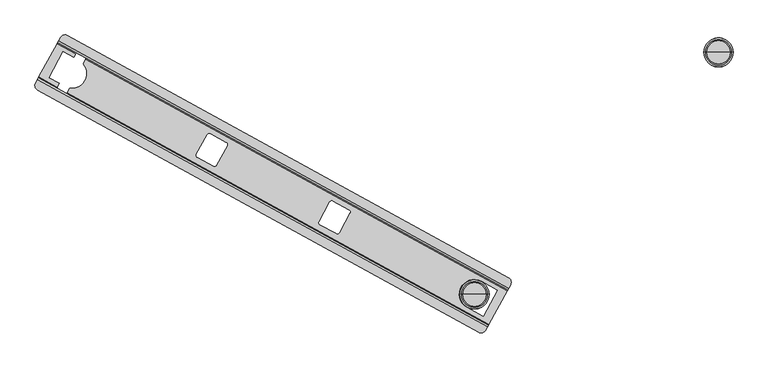
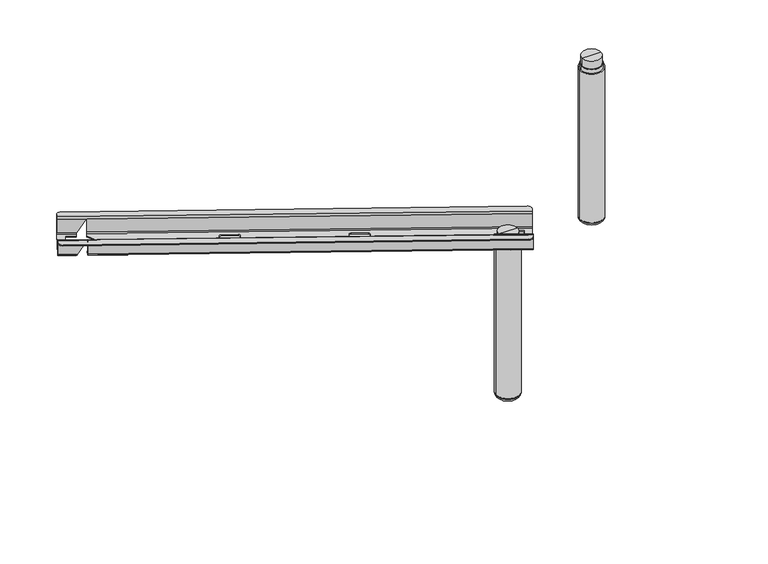
"""IFC4 building model written with IfcOpenShell, lengths in millimetres: furniture geometry."""

from ifc_helpers import new_model, si_unit, point, frame, origin, place, context, project, spatial, polyline, circle_curve, ellipse_curve, trimmed, source, transform, mapped, element, save
from ifc_brep_helpers import plane_surface, cylinder_surface, revolved_surface, advanced_brep


def furniture_549b258d(model_context):
    return source(origin(), model_context, "Body", "AdvancedBrep", [
        advanced_brep(
        [(96.5723967, -73.2350936, 545.8119265), (92.2647584, -81.0778887, 545.8119265), (91.2865282, -82.8589248, 543.7799265), (91.2865282, -82.8589248, 501.4002168), (88.596395, -87.7567741, 495.8122168), (44.2070674, -168.5751656, 495.8122168), (41.5169342, -173.4730148, 501.4002168), (41.5169342, -173.4730148, 543.7799265), (40.538704, -175.2540509, 545.8119265), (36.2310086, -183.0969499, 545.8119265), (36.2310086, -183.0969499, 548.8114043), (40.538704, -175.2540509, 548.8114043), (42.9556248, -170.8536317, 543.7799265), (42.9556248, -170.8536317, 501.4002168), (44.2070674, -168.5751656, 498.7913268), (88.596395, -87.7567741, 498.7913268), (89.8478376, -85.478308, 501.4002168), (89.8478376, -85.478308, 543.7799265), (92.2647584, -81.0778887, 548.8114043), (96.5723967, -73.2350936, 548.8114043), (1183.5381038, -680.4574253, 545.8119265), (1187.8457421, -672.6146302, 545.8119265), (1187.8457421, -672.6146302, 548.8114043), (1183.5381038, -680.4574253, 548.8114043), (1181.121183, -684.8578446, 543.7799265), (1181.121183, -684.8578446, 501.4002168), (1179.8697404, -687.1363107, 498.7913268), (1135.4804128, -767.9547022, 498.7913268), (1134.2289702, -770.2331683, 501.4002168), (1134.2289702, -770.2331683, 543.7799265), (1131.8120494, -774.6335875, 548.8114043), (1127.504354, -782.4764865, 548.8114043), (1127.504354, -782.4764865, 545.8119265), (1131.8120494, -774.6335875, 545.8119265), (1132.7902796, -772.8525514, 543.7799265), (1132.7902796, -772.8525514, 501.4002168), (1135.4804128, -767.9547022, 495.8122168), (1179.8697404, -687.1363107, 495.8122168), (1182.5598736, -682.2384614, 501.4002168), (1182.5598736, -682.2384614, 543.7799265), (1110.2589393, -787.4940231, 545.8119265), (41.2485452, -200.3423646, 545.8119265), (108.8129118, -212.7535127, 545.8119265), (106.7502022, -216.5090293, 545.8119265), (107.477067, -216.9082582, 545.8119265), (109.5397766, -213.1527416, 545.8119265), (113.8178115, -68.2175571, 545.8119265), (1182.8282057, -655.3692157, 545.8119265), (161.2658347, -118.9765814, 545.8119265), (163.3284872, -115.2211686, 545.8119265), (162.6016224, -114.8219397, 545.8119265), (160.5389699, -118.5773524, 545.8119265), (1110.2589393, -787.4940231, 548.8114043), (41.2485452, -200.3423646, 548.8114043), (1182.8282057, -655.3692157, 548.8114043), (113.8178115, -68.2175571, 548.8114043), (157.082876, -122.4070081, 543.7799265), (159.5095, -122.1742898, 547.2332388), (158.8489137, -123.3770005, 543.7799265), (158.8489137, -123.3770005, 501.4002168), (135.4097233, -110.5030756, 501.4002168), (157.597471, -125.6554666, 498.7913268), (133.3537484, -112.3396541, 498.7913268), (134.7557258, -110.4004757, 500.3331133), (151.6982602, -136.3959916, 498.7913268), (119.1072539, -195.7335083, 498.7913268), (113.2081403, -206.4738564, 498.7913268), (1117.2262157, -664.0752616, 498.7913268), (1156.1863795, -685.4740497, 498.7913268), (1121.3717691, -748.860019, 498.7913268), (1082.4116053, -727.4612309, 498.7913268), (474.6089476, -382.8094257, 498.7913268), (467.7107816, -384.8164401, 498.7913268), (428.4570156, -363.2563916, 498.7913268), (426.4500012, -356.3582256, 498.7913268), (452.7595604, -308.4571608, 498.7913268), (459.6577263, -306.4501464, 498.7913268), (498.9114924, -328.0101949, 498.7913268), (500.9185068, -334.9083608, 498.7913268), (771.9412607, -546.1185737, 498.7913268), (765.0430948, -548.125588, 498.7913268), (725.7893287, -526.5655395, 498.7913268), (723.7823143, -519.6673736, 498.7913268), (750.0918735, -471.7663087, 498.7913268), (756.9900395, -469.7592943, 498.7913268), (796.2438055, -491.3193428, 498.7913268), (798.2508199, -498.2175088, 498.7913268), (88.9644177, -193.1580439, 498.7913268), (93.7517293, -184.4419222, 498.7913268), (67.8903323, -170.2376069, 498.7913268), (102.7049379, -106.8516349, 498.7913268), (128.5663397, -121.0559529, 498.7913268), (111.9566976, -208.7523224, 501.4002168), (88.5175072, -195.8783976, 501.4002168), (88.0800628, -195.3815254, 500.3331133), (111.9566976, -208.7523224, 543.7799265), (110.1906599, -207.78233, 543.7799265), (111.2961113, -209.9550331, 547.2332388), (110.518007, -211.3717055, 543.7799265), (108.7519692, -210.4017131, 543.7799265), (110.518007, -211.3717055, 501.4002168), (87.0788166, -198.4977807, 501.4002168), (113.2081403, -206.4738564, 495.8122168), (88.4643309, -192.8833723, 495.8122168), (86.5826017, -198.1079103, 500.3331133), (119.1072539, -195.7335083, 495.8122168), (151.6982602, -136.3959916, 495.8122168), (157.597471, -125.6554666, 495.8122168), (1082.4116053, -727.4612309, 495.8122168), (1121.3717691, -748.860019, 495.8122168), (1156.1863795, -685.4740497, 495.8122168), (1117.2262157, -664.0752616, 495.8122168), (500.9185068, -334.9083608, 495.8122168), (498.9114924, -328.0101949, 495.8122168), (459.6577263, -306.4501464, 495.8122168), (452.7595604, -308.4571608, 495.8122168), (426.4500012, -356.3582256, 495.8122168), (428.4570156, -363.2563916, 495.8122168), (467.7107816, -384.8164401, 495.8122168), (474.6089476, -382.8094257, 495.8122168), (798.2508199, -498.2175088, 495.8122168), (796.2438055, -491.3193428, 495.8122168), (756.9900395, -469.7592943, 495.8122168), (750.0918735, -471.7663087, 495.8122168), (723.7823143, -519.6673736, 495.8122168), (725.7893287, -526.5655395, 495.8122168), (765.0430948, -548.125588, 495.8122168), (771.9412607, -546.1185737, 495.8122168), (132.8536616, -112.0649825, 495.8122168), (128.0662528, -120.7812813, 495.8122168), (102.7049379, -106.8516349, 495.8122168), (67.8903323, -170.2376069, 495.8122168), (93.2516424, -184.1672506, 495.8122168), (160.2876044, -120.7576174, 501.4002168), (136.848414, -107.8836925, 501.4002168), (136.2531869, -107.6740908, 500.3331133), (160.2876044, -120.7576174, 543.7799265), (158.5215667, -119.787625, 543.7799265), (107.477067, -216.9082582, 547.2332388), (163.3284872, -115.2211686, 547.2332388)],
        [
            (0, 1),
            (1, 2, circle_curve(frame((92.2647584, -81.0778887, 543.7799265), z_axis=(0.8764941434631136, -0.48141252214173136, 0.0), x_axis=(0.48141252214173136, 0.8764941434631136, 0.0)), 2.032)),
            (2, 3),
            (3, 4, circle_curve(frame((88.596395, -87.7567741, 501.4002168), z_axis=(-0.8764941434631136, 0.48141252214173136, 0.0), x_axis=(0.48141252214173136, 0.8764941434631136, 0.0)), 5.588)),
            (4, 5),
            (5, 6, circle_curve(frame((44.2070674, -168.5751656, 501.4002168), z_axis=(-0.8764941434631136, 0.48141252214173136, 0.0), x_axis=(0.48141252214173136, 0.8764941434631136, 0.0)), 5.588)),
            (6, 7),
            (7, 8, circle_curve(frame((40.538704, -175.2540509, 543.7799265), z_axis=(0.8764941434631136, -0.48141252214173136, 0.0), x_axis=(0.48141252214173136, 0.8764941434631136, 0.0)), 2.032)),
            (8, 9),
            (9, 10),
            (10, 11),
            (11, 12, circle_curve(frame((40.5334026, -175.263703, 543.7799265), z_axis=(-0.8764941434631136, 0.48141252214173136, 0.0), x_axis=(0.48141252214173136, 0.8764941434631136, 0.0)), 5.0314898)),
            (12, 13),
            (13, 14, circle_curve(frame((44.2070674, -168.5751656, 501.390866), z_axis=(0.8764941434631136, -0.48141252214173136, 0.0), x_axis=(0.48141252214173136, 0.8764941434631136, 0.0)), 2.5995392)),
            (14, 15),
            (15, 16, circle_curve(frame((88.596395, -87.7567741, 501.390866), z_axis=(0.8764941434631136, -0.48141252214173136, 0.0), x_axis=(0.48141252214173136, 0.8764941434631136, 0.0)), 2.5995392)),
            (16, 17),
            (17, 18, circle_curve(frame((92.2700598, -81.0682366, 543.7799265), z_axis=(-0.8764941434631136, 0.48141252214173136, 0.0), x_axis=(0.48141252214173136, 0.8764941434631136, 0.0)), 5.0314898)),
            (18, 19),
            (19, 0),
            (20, 21),
            (21, 22),
            (22, 23),
            (23, 24, circle_curve(frame((1183.5434052, -680.4477732, 543.7799265), z_axis=(0.8764941434631136, -0.48141252214173136, 0.0), x_axis=(0.48141252214173136, 0.8764941434631136, 0.0)), 5.0314898)),
            (24, 25),
            (25, 26, circle_curve(frame((1179.8697404, -687.1363107, 501.390866), z_axis=(-0.8764941434631136, 0.48141252214173136, 0.0), x_axis=(0.48141252214173136, 0.8764941434631136, 0.0)), 2.5995392)),
            (26, 27),
            (27, 28, circle_curve(frame((1135.4804128, -767.9547022, 501.390866), z_axis=(-0.8764941434631136, 0.48141252214173136, 0.0), x_axis=(0.48141252214173136, 0.8764941434631136, 0.0)), 2.5995392)),
            (28, 29),
            (29, 30, circle_curve(frame((1131.806748, -774.6432396, 543.7799265), z_axis=(0.8764941434631136, -0.48141252214173136, 0.0), x_axis=(0.48141252214173136, 0.8764941434631136, 0.0)), 5.0314898)),
            (30, 31),
            (31, 32),
            (32, 33),
            (33, 34, circle_curve(frame((1131.8120494, -774.6335875, 543.7799265), z_axis=(-0.8764941434631136, 0.48141252214173136, 0.0), x_axis=(0.48141252214173136, 0.8764941434631136, 0.0)), 2.032)),
            (34, 35),
            (35, 36, circle_curve(frame((1135.4804128, -767.9547022, 501.4002168), z_axis=(0.8764941434631136, -0.48141252214173136, 0.0), x_axis=(0.48141252214173136, 0.8764941434631136, 0.0)), 5.588)),
            (36, 37),
            (37, 38, circle_curve(frame((1179.8697404, -687.1363107, 501.4002168), z_axis=(0.8764941434631136, -0.48141252214173136, 0.0), x_axis=(0.48141252214173136, 0.8764941434631136, 0.0)), 5.588)),
            (38, 39),
            (39, 20, circle_curve(frame((1183.5381038, -680.4574253, 543.7799265), z_axis=(-0.8764941434631136, 0.48141252214173136, 0.0), x_axis=(0.48141252214173136, 0.8764941434631136, 0.0)), 2.032)),
            (40, 41),
            (41, 9, circle_curve(frame((47.3624842, -189.2108889, 545.8119265), z_axis=(0.0, 0.0, -1.0), x_axis=(1.0, 0.0, 0.0)), 12.7)),
            (8, 42),
            (42, 43),
            (43, 44),
            (44, 45),
            (45, 33),
            (32, 40, circle_curve(frame((1116.3728783, -776.3625475, 545.8119265), z_axis=(0.0, 0.0, -1.0), x_axis=(1.0, 0.0, 0.0)), 12.7)),
            (0, 46, circle_curve(frame((107.7038725, -79.3490327, 545.8119265), z_axis=(0.0, 0.0, -1.0), x_axis=(1.0, 0.0, 0.0)), 12.7)),
            (46, 47),
            (47, 21, circle_curve(frame((1176.7142666, -666.5006913, 545.8119265), z_axis=(0.0, 0.0, -1.0), x_axis=(1.0, 0.0, 0.0)), 12.7)),
            (20, 48),
            (48, 49),
            (49, 50),
            (50, 51),
            (51, 1),
            (52, 31, circle_curve(frame((1116.3728783, -776.3625475, 548.8114043), z_axis=(0.0, 0.0, 1.0), x_axis=(1.0, 0.0, 0.0)), 12.7)),
            (30, 11),
            (10, 53, circle_curve(frame((47.3624842, -189.2108889, 548.8114043), z_axis=(0.0, 0.0, 1.0), x_axis=(1.0, 0.0, 0.0)), 12.7)),
            (53, 52),
            (18, 23),
            (22, 54, circle_curve(frame((1176.7142666, -666.5006913, 548.8114043), z_axis=(0.0, 0.0, 1.0), x_axis=(1.0, 0.0, 0.0)), 12.7)),
            (54, 55),
            (55, 19, circle_curve(frame((107.7038725, -79.3490327, 548.8114043), z_axis=(0.0, 0.0, 1.0), x_axis=(1.0, 0.0, 0.0)), 12.7)),
            (17, 56),
            (56, 57, ellipse_curve(frame((159.5050984, -117.9969368, 543.7799265), z_axis=(-0.757053618767713, 0.41581010862329953, 0.5039561209841491), x_axis=(-0.4417146158277403, 0.24261073768806285, -0.8637292562618252)), 5.825309, 5.0314898)),
            (57, 58, circle_curve(frame((161.271136, -118.9669292, 543.7799265), z_axis=(0.8764941434631136, -0.48141252214173136, 0.0), x_axis=(0.48141252214173136, 0.8764941434631136, 0.0)), 5.0314898)),
            (58, 24),
            (58, 59),
            (59, 25),
            (16, 60),
            (60, 56),
            (59, 61, circle_curve(frame((157.5974711, -125.6554666, 501.390866), z_axis=(-0.8764941434631136, 0.48141252214173136, 0.0), x_axis=(0.48141252214173136, 0.8764941434631136, 0.0)), 2.5995392)),
            (61, 26),
            (15, 62),
            (62, 63, ellipse_curve(frame((133.7901188, -112.5793296, 501.390866), z_axis=(0.8608486845247376, -0.4728193302914329, -0.18809950360059377), x_axis=(0.16486820759981258, -0.09055328474248939, 0.9821499767068015)), 2.6467843, 2.5995392)),
            (63, 60, ellipse_curve(frame((134.1534986, -112.7789152, 501.390866), z_axis=(0.757053618767713, -0.41581010862329953, -0.5039561209841491), x_axis=(0.4417146158277403, -0.24261073768806285, 0.8637292562618252)), 3.009669, 2.5995392)),
            (61, 64),
            (64, 65, circle_curve(frame((124.2578006, -159.943406, 498.7913268), z_axis=(0.0, 0.0, -1.0), x_axis=(-0.5364839670502666, 0.8439105124940727, 0.0)), 36.1588101)),
            (65, 66),
            (66, 27),
            (67, 68),
            (68, 69),
            (69, 70),
            (70, 67, circle_curve(frame((1099.8189105, -695.7682463, 498.7913268), z_axis=(0.0, 0.0, -1.0), x_axis=(1.0, 0.0, 0.0)), 36.1588101)),
            (71, 72, circle_curve(frame((470.1563574, -380.3638499, 498.7913268), z_axis=(0.0, 0.0, -1.0), x_axis=(1.0, 0.0, 0.0)), 5.08)),
            (72, 73),
            (73, 74, circle_curve(frame((430.9025913, -358.8038014, 498.7913268), z_axis=(0.0, 0.0, -1.0), x_axis=(1.0, 0.0, 0.0)), 5.08)),
            (74, 75),
            (75, 76, circle_curve(frame((457.2121505, -310.9027365, 498.7913268), z_axis=(0.0, 0.0, -1.0), x_axis=(1.0, 0.0, 0.0)), 5.08)),
            (76, 77),
            (77, 78, circle_curve(frame((496.4659166, -332.4627851, 498.7913268), z_axis=(0.0, 0.0, -1.0), x_axis=(1.0, 0.0, 0.0)), 5.08)),
            (78, 71),
            (79, 80, circle_curve(frame((767.4886706, -543.6729979, 498.7913268), z_axis=(0.0, 0.0, -1.0), x_axis=(1.0, 0.0, 0.0)), 5.08)),
            (80, 81),
            (81, 82, circle_curve(frame((728.2349045, -522.1129494, 498.7913268), z_axis=(0.0, 0.0, -1.0), x_axis=(1.0, 0.0, 0.0)), 5.08)),
            (82, 83),
            (83, 84, circle_curve(frame((754.5444637, -474.2118845, 498.7913268), z_axis=(0.0, 0.0, -1.0), x_axis=(1.0, 0.0, 0.0)), 5.08)),
            (84, 85),
            (85, 86, circle_curve(frame((793.7982298, -495.771933, 498.7913268), z_axis=(0.0, 0.0, -1.0), x_axis=(1.0, 0.0, 0.0)), 5.08)),
            (86, 79),
            (14, 87),
            (87, 88),
            (88, 89),
            (89, 90),
            (90, 91),
            (91, 62),
            (66, 92, circle_curve(frame((113.2081403, -206.4738564, 501.390866), z_axis=(-0.8764941434631136, 0.48141252214173136, 0.0), x_axis=(0.48141252214173136, 0.8764941434631136, 0.0)), 2.5995392)),
            (92, 28),
            (13, 93),
            (93, 94, ellipse_curve(frame((89.7641679, -193.597305, 501.390866), z_axis=(0.757053618767713, -0.41581010862329953, -0.5039561209841491), x_axis=(0.4417146158277403, -0.24261073768806285, 0.8637292562618252)), 3.009669, 2.5995392)),
            (94, 87, ellipse_curve(frame((89.4007881, -193.3977194, 501.390866), z_axis=(0.8608486845247376, -0.4728193302914329, -0.18809950360059377), x_axis=(0.16486820759981258, -0.09055328474248939, 0.9821499767068015)), 2.6467843, 2.5995392)),
            (92, 95),
            (95, 29),
            (12, 96),
            (96, 93),
            (95, 97, circle_curve(frame((109.5344754, -213.1623938, 543.7799265), z_axis=(0.8764941434631136, -0.48141252214173136, 0.0), x_axis=(0.48141252214173136, 0.8764941434631136, 0.0)), 5.0314898)),
            (97, 96, ellipse_curve(frame((107.7684375, -212.1924013, 543.7799265), z_axis=(-0.757053618767713, 0.41581010862329953, 0.5039561209841491), x_axis=(-0.4417146158277403, 0.24261073768806285, -0.8637292562618252)), 5.825309, 5.0314898)),
            (45, 98, circle_curve(frame((109.5397766, -213.1527416, 543.7799265), z_axis=(-0.8764941434631136, 0.48141252214173136, 0.0), x_axis=(0.48141252214173136, 0.8764941434631136, 0.0)), 2.032)),
            (98, 34),
            (7, 99),
            (99, 42, ellipse_curve(frame((107.7737389, -212.1827492, 543.7799265), z_axis=(0.757053618767713, -0.41581010862329953, -0.5039561209841491), x_axis=(0.4417146158277403, -0.24261073768806285, 0.8637292562618252)), 2.3525891, 2.032)),
            (98, 100),
            (100, 35),
            (6, 101),
            (101, 99),
            (100, 102, circle_curve(frame((113.2081401, -206.4738563, 501.4002168), z_axis=(0.8764941434631136, -0.48141252214173136, 0.0), x_axis=(0.48141252214173136, 0.8764941434631136, 0.0)), 5.588)),
            (102, 36),
            (5, 103),
            (103, 104, ellipse_curve(frame((89.4023577, -193.3985815, 501.4002168), z_axis=(-0.8608486845247376, 0.4728193302914329, 0.18809950360059377), x_axis=(-0.16486820759981258, 0.09055328474248939, -0.9821499767068015)), 5.6895588, 5.588)),
            (104, 101, ellipse_curve(frame((89.7689499, -193.5999315, 501.4002168), z_axis=(-0.757053618767713, 0.41581010862329953, 0.5039561209841491), x_axis=(-0.4417146158277403, 0.24261073768806285, -0.8637292562618252)), 6.4696199, 5.588)),
            (102, 105),
            (105, 106, circle_curve(frame((124.2578006, -159.943406, 495.8122168), z_axis=(0.0, 0.0, 1.0), x_axis=(-0.5364839670502666, 0.8439105124940727, 0.0)), 36.1588101)),
            (106, 107),
            (107, 37),
            (108, 109),
            (109, 110),
            (110, 111),
            (111, 108, circle_curve(frame((1099.8189105, -695.7682463, 495.8122168), z_axis=(0.0, 0.0, 1.0), x_axis=(1.0, 0.0, 0.0)), 36.1588101)),
            (112, 113, circle_curve(frame((496.4659166, -332.4627851, 495.8122168), z_axis=(0.0, 0.0, 1.0), x_axis=(1.0, 0.0, 0.0)), 5.08)),
            (113, 114),
            (114, 115, circle_curve(frame((457.2121505, -310.9027365, 495.8122168), z_axis=(0.0, 0.0, 1.0), x_axis=(1.0, 0.0, 0.0)), 5.08)),
            (115, 116),
            (116, 117, circle_curve(frame((430.9025913, -358.8038014, 495.8122168), z_axis=(0.0, 0.0, 1.0), x_axis=(1.0, 0.0, 0.0)), 5.08)),
            (117, 118),
            (118, 119, circle_curve(frame((470.1563574, -380.3638499, 495.8122168), z_axis=(0.0, 0.0, 1.0), x_axis=(1.0, 0.0, 0.0)), 5.08)),
            (119, 112),
            (120, 121, circle_curve(frame((793.7982298, -495.771933, 495.8122168), z_axis=(0.0, 0.0, 1.0), x_axis=(1.0, 0.0, 0.0)), 5.08)),
            (121, 122),
            (122, 123, circle_curve(frame((754.5444637, -474.2118845, 495.8122168), z_axis=(0.0, 0.0, 1.0), x_axis=(1.0, 0.0, 0.0)), 5.08)),
            (123, 124),
            (124, 125, circle_curve(frame((728.2349045, -522.1129494, 495.8122168), z_axis=(0.0, 0.0, 1.0), x_axis=(1.0, 0.0, 0.0)), 5.08)),
            (125, 126),
            (126, 127, circle_curve(frame((767.4886706, -543.6729979, 495.8122168), z_axis=(0.0, 0.0, 1.0), x_axis=(1.0, 0.0, 0.0)), 5.08)),
            (127, 120),
            (4, 128),
            (128, 129),
            (129, 130),
            (130, 131),
            (131, 132),
            (132, 103),
            (107, 133, circle_curve(frame((157.597471, -125.6554666, 501.4002168), z_axis=(0.8764941434631136, -0.48141252214173136, 0.0), x_axis=(0.48141252214173136, 0.8764941434631136, 0.0)), 5.588)),
            (133, 38),
            (3, 134),
            (134, 135, ellipse_curve(frame((134.1582806, -112.7815417, 501.4002168), z_axis=(-0.757053618767713, 0.41581010862329953, 0.5039561209841491), x_axis=(-0.4417146158277403, 0.24261073768806285, -0.8637292562618252)), 6.4696199, 5.588)),
            (135, 128, ellipse_curve(frame((133.7916884, -112.5801917, 501.4002168), z_axis=(-0.8608486845247376, 0.4728193302914329, 0.18809950360059377), x_axis=(-0.16486820759981258, 0.09055328474248939, -0.9821499767068015)), 5.6895588, 5.588)),
            (133, 136),
            (136, 39),
            (2, 137),
            (137, 134),
            (51, 137, ellipse_curve(frame((159.499797, -118.0065889, 543.7799265), z_axis=(0.757053618767713, -0.41581010862329953, -0.5039561209841491), x_axis=(0.4417146158277403, -0.24261073768806285, 0.8637292562618252)), 2.3525891, 2.032)),
            (136, 48, circle_curve(frame((161.2658346, -118.9765813, 543.7799265), z_axis=(-0.8764941434631136, 0.48141252214173136, 0.0), x_axis=(0.48141252214173136, 0.8764941434631136, 0.0)), 2.032)),
            (97, 138),
            (138, 43),
            (104, 94),
            (50, 139),
            (139, 57),
            (63, 135),
            (65, 105),
            (44, 138),
            (139, 49),
            (106, 64),
            (91, 129),
            (132, 88),
            (90, 130),
            (89, 131),
            (111, 67),
            (70, 108),
            (110, 68),
            (109, 69),
            (119, 71),
            (78, 112),
            (118, 72),
            (117, 73),
            (116, 74),
            (115, 75),
            (114, 76),
            (113, 77),
            (127, 79),
            (86, 120),
            (126, 80),
            (125, 81),
            (124, 82),
            (123, 83),
            (122, 84),
            (121, 85),
            (53, 41),
            (40, 52),
            (47, 54),
            (55, 46),
        ],
        [
            plane_surface(frame((94.3274108, -77.3224759, 545.8119265), z_axis=(-0.8764941434631136, 0.4814125221417313, 0.0), x_axis=(0.4814125221417313, 0.8764941434631136, 0.0))),
            plane_surface(frame((1185.6007562, -676.7020125, 545.8119265), z_axis=(0.8764941434631136, -0.4814125221417313, 0.0), x_axis=(-0.4814125221417313, -0.8764941434631136, 0.0))),
            plane_surface(frame((92.2647584, -81.0778887, 545.8119265), z_axis=(0.0, 0.0, -1.0000000000000002), x_axis=(0.8764941434631136, -0.48141252214173136, 0.0))),
            plane_surface(frame((94.3274108, -77.3224759, 548.8114043), z_axis=(0.0, 0.0, 1.0000000000000002), x_axis=(0.8764941434631136, -0.48141252214173136, 0.0))),
            cylinder_surface(frame((1183.5434052, -680.4477732, 543.7799265), z_axis=(-0.8764941434631136, 0.48141252214173136, 0.0), x_axis=(0.48141252214173136, 0.8764941434631136, 0.0)), 5.0314898),
            plane_surface(frame((89.8478376, -85.478308, 543.7799265), z_axis=(-0.48141252214173136, -0.8764941434631136, 0.0), x_axis=(0.8764941434631136, -0.48141252214173136, 0.0))),
            revolved_surface(polyline([(1181.1211911226783, -684.8578298154972, 501.390866), (158.84892172606249, -123.37698570933549, 501.390866)]), (1179.8697404, -687.1363107, 501.390866), (0.8764941434631136, -0.48141252214173136, 0.0)),
            revolved_surface(polyline([(136.73436402638504, -111.23061248180159, 501.390866), (89.84784572740477, -85.47829320266385, 501.390866)]), (1179.8697404, -687.1363107, 501.390866), (0.8764941434631136, -0.48141252214173136, 0.0)),
            plane_surface(frame((88.596395, -87.7567741, 498.7913268), z_axis=(0.0, 0.0, 1.0000000000000002), x_axis=(0.8764941434631136, -0.48141252214173136, 0.0))),
            revolved_surface(polyline([(1136.7318635244621, -765.676221316477, 501.390866), (114.45959090995234, -204.19537544289392, 501.390866)]), (1135.4804128, -767.9547022, 501.390866), (0.8764941434631136, -0.48141252214173136, 0.0)),
            revolved_surface(polyline([(92.34503332751092, -192.0490022797518, 501.390866), (45.45851812918863, -166.29668470364356, 501.390866)]), (1135.4804128, -767.9547022, 501.390866), (0.8764941434631136, -0.48141252214173136, 0.0)),
            plane_surface(frame((42.9556248, -170.8536317, 501.4002168), z_axis=(0.48141252214173136, 0.8764941434631136, 0.0), x_axis=(0.8764941434631136, -0.48141252214173136, 0.0))),
            cylinder_surface(frame((1131.806748, -774.6432396, 543.7799265), z_axis=(-0.8764941434631136, 0.48141252214173136, 0.0), x_axis=(0.48141252214173136, 0.8764941434631136, 0.0)), 5.0314898),
            revolved_surface(polyline([(1132.7902796449919, -772.852551400483, 543.7799265), (110.51800687683374, -211.37170544250887, 543.7799265)]), (1131.8120494, -774.6335875, 543.7799265), (0.8764941434631136, -0.48141252214173136, 0.0)),
            revolved_surface(polyline([(109.79114210596902, -210.97247653127465, 543.7799265), (41.516934216733716, -173.47301476953282, 543.7799265)]), (1131.8120494, -774.6335875, 543.7799265), (0.8764941434631136, -0.48141252214173136, 0.0)),
            plane_surface(frame((41.5169342, -173.4730148, 543.7799265), z_axis=(-0.48141252214173136, -0.8764941434631136, 0.0), x_axis=(0.8764941434631136, -0.48141252214173136, 0.0))),
            cylinder_surface(frame((1135.4804128, -767.9547022, 501.4002168), z_axis=(-0.8764941434631136, 0.48141252214173136, 0.0), x_axis=(0.48141252214173136, 0.8764941434631136, 0.0)), 5.588),
            plane_surface(frame((44.2070674, -168.5751656, 495.8122168), z_axis=(0.0, 0.0, -1.0000000000000002), x_axis=(0.8764941434631136, -0.48141252214173136, 0.0))),
            cylinder_surface(frame((1179.8697404, -687.1363107, 501.4002168), z_axis=(-0.8764941434631136, 0.48141252214173136, 0.0), x_axis=(0.48141252214173136, 0.8764941434631136, 0.0)), 5.588),
            plane_surface(frame((91.2865282, -82.8589248, 501.4002168), z_axis=(0.4814125221417314, 0.8764941434631136, 0.0), x_axis=(0.8764941434631136, -0.4814125221417314, 0.0))),
            revolved_surface(polyline([(161.5172001501794, -116.7963163328493, 543.7799265), (93.24298865150263, -79.29685258862946, 543.7799265)]), (1183.5381038, -680.4574253, 543.7799265), (0.8764941434631136, -0.48141252214173136, 0.0)),
            revolved_surface(polyline([(1184.5163340797603, -678.6763892195795, 543.7799265), (162.24406484422002, -117.19554520188808, 543.7799265)]), (1183.5381038, -680.4574253, 543.7799265), (0.8764941434631136, -0.48141252214173136, 0.0)),
            plane_surface(frame((75.1332293, -218.9534563, 500.3331133), z_axis=(0.757053618767713, -0.41581010862329953, -0.5039561209841491), x_axis=(0.48141255562293056, 0.8764941250736361, 0.0))),
            plane_surface(frame((99.1181402, -232.1271182, 547.2332388), z_axis=(-0.876494125073636, 0.4814125556229307, 0.0), x_axis=(0.4814125556229307, 0.876494125073636, 0.0))),
            plane_surface(frame((73.9456091, -218.3011584, 493.2582388), z_axis=(0.8608486845247376, -0.4728193302914329, -0.18809950360059377), x_axis=(0.4814125556229307, 0.876494125073636, 0.0))),
            revolved_surface(polyline([(104.85917871373475, -129.42860603733317, 498.7913268), (104.85917871373475, -129.42860603733317, 495.8122168)]), (124.2578006, -159.943406, 485.9002831), (0.0, 0.0, 1.0)),
            plane_surface(frame((102.7049379, -106.8516349, 522.3460139), z_axis=(-0.48141248866053876, -0.8764941618525858, 0.0), x_axis=(0.0, 0.0, -1.0))),
            plane_surface(frame((67.8903323, -170.2376069, 522.3460139), z_axis=(0.8764941618525844, -0.48141248866054115, 0.0), x_axis=(0.0, 0.0, -1.0))),
            plane_surface(frame((106.8504978, -191.636392, 522.3460139), z_axis=(0.48141248866053765, 0.8764941618525864, 0.0), x_axis=(0.0, 0.0, -1.0))),
            revolved_surface(polyline([(1135.9777205999999, -695.7682463, 498.7913268), (1135.9777205999999, -695.7682463, 495.8122168)]), (1099.8189105, -695.7682463, 485.9002831), (0.0, 0.0, 1.0)),
            plane_surface(frame((1117.2262157, -664.0752616, 522.3460139), z_axis=(-0.4814125556229308, -0.876494125073636, 0.0), x_axis=(0.0, 0.0, -1.0))),
            plane_surface(frame((1156.1863795, -685.4740497, 522.3460139), z_axis=(-0.8764941250736371, 0.4814125556229287, 0.0), x_axis=(0.0, 0.0, -1.0))),
            plane_surface(frame((1121.3717691, -748.860019, 522.3460139), z_axis=(0.4814125556229308, 0.876494125073636, 0.0), x_axis=(0.0, 0.0, -1.0))),
            plane_surface(frame((500.9185068, -334.9083608, 522.3460139), z_axis=(-0.8764941250736367, 0.48141255562292967, 0.0), x_axis=(0.0, 0.0, -1.0))),
            revolved_surface(polyline([(475.2363574, -380.3638499, 498.7913268), (475.2363574, -380.3638499, 495.8122168)]), (470.1563574, -380.3638499, 0.0), (0.0, 0.0, 1.0)),
            plane_surface(frame((467.7107816, -384.8164401, 522.3460139), z_axis=(0.48141255562293184, 0.8764941250736354, 0.0), x_axis=(0.0, 0.0, -1.0))),
            revolved_surface(polyline([(435.98259129999997, -358.8038014, 498.7913268), (435.98259129999997, -358.8038014, 495.8122168)]), (430.9025913, -358.8038014, 0.0), (0.0, 0.0, 1.0)),
            plane_surface(frame((426.4500012, -356.3582256, 522.3460139), z_axis=(0.8764941250736371, -0.4814125556229287, 0.0), x_axis=(0.0, 0.0, -1.0))),
            revolved_surface(polyline([(462.2921505, -310.9027365, 498.7913268), (462.2921505, -310.9027365, 495.8122168)]), (457.2121505, -310.9027365, 0.0), (0.0, 0.0, 1.0)),
            plane_surface(frame((459.6577263, -306.4501464, 522.3460139), z_axis=(-0.48141255562292995, -0.8764941250736364, 0.0), x_axis=(0.0, 0.0, -1.0))),
            revolved_surface(polyline([(501.5459166, -332.4627851, 498.7913268), (501.5459166, -332.4627851, 495.8122168)]), (496.4659166, -332.4627851, 0.0), (0.0, 0.0, 1.0)),
            plane_surface(frame((798.2508199, -498.2175088, 522.3460139), z_axis=(-0.8764941250736377, 0.48141255562292773, 0.0), x_axis=(0.0, 0.0, -1.0))),
            revolved_surface(polyline([(772.5686706, -543.6729979, 498.7913268), (772.5686706, -543.6729979, 495.8122168)]), (767.4886706, -543.6729979, 0.0), (0.0, 0.0, 1.0)),
            plane_surface(frame((765.0430948, -548.125588, 522.3460139), z_axis=(0.48141255562293184, 0.8764941250736354, 0.0), x_axis=(0.0, 0.0, -1.0))),
            revolved_surface(polyline([(733.3149045, -522.1129494, 498.7913268), (733.3149045, -522.1129494, 495.8122168)]), (728.2349045, -522.1129494, 0.0), (0.0, 0.0, 1.0)),
            plane_surface(frame((723.7823143, -519.6673736, 522.3460139), z_axis=(0.8764941250736377, -0.48141255562292773, 0.0), x_axis=(0.0, 0.0, -1.0))),
            revolved_surface(polyline([(759.6244637000001, -474.2118845, 498.7913268), (759.6244637000001, -474.2118845, 495.8122168)]), (754.5444637, -474.2118845, 0.0), (0.0, 0.0, 1.0)),
            plane_surface(frame((756.9900395, -469.7592943, 522.3460139), z_axis=(-0.48141255562293067, -0.8764941250736361, 0.0), x_axis=(0.0, 0.0, -1.0))),
            revolved_surface(polyline([(798.8782298, -495.771933, 498.7913268), (798.8782298, -495.771933, 495.8122168)]), (793.7982298, -495.771933, 0.0), (0.0, 0.0, 1.0)),
            plane_surface(frame((1110.2589393, -787.4940231, 548.8114043), z_axis=(-0.4814125221417314, -0.8764941434631135, 0.0), x_axis=(0.0, 0.0, -1.0))),
            cylinder_surface(frame((47.3624842, -189.2108889, 545.8119265), z_axis=(0.0, 0.0, 1.0), x_axis=(1.0, 0.0, 0.0)), 12.7),
            plane_surface(frame((38.4759945, -179.0095676, 548.8114043), z_axis=(0.48141252214173264, 0.8764941434631128, 0.0), x_axis=(0.0, 0.0, -1.0))),
            cylinder_surface(frame((1116.3728783, -776.3625475, 545.8119265), z_axis=(0.0, 0.0, 1.0), x_axis=(1.0, 0.0, 0.0)), 12.7),
            cylinder_surface(frame((1176.7142666, -666.5006913, 0.0), z_axis=(0.0, 0.0, 1.0), x_axis=(1.0, 0.0, 0.0)), 12.7),
            plane_surface(frame((1185.6007564, -676.7020126, 548.8114043), z_axis=(-0.48141252214173563, -0.8764941434631112, 0.0), x_axis=(0.0, 0.0, -1.0))),
            cylinder_surface(frame((107.7038725, -79.3490327, 0.0), z_axis=(0.0, 0.0, 1.0), x_axis=(1.0, 0.0, 0.0)), 12.7),
            plane_surface(frame((113.8178115, -68.2175571, 548.8114043), z_axis=(0.48141252214173685, 0.8764941434631106, 0.0), x_axis=(0.0, 0.0, -1.0))),
        ],
        [
            (0, [[1, 2, 3, 4, 5, 6, 7, 8, 9, 10, 11, 12, 13, 14, 15, 16, 17, 18, 19, 20]]),
            (1, [[21, 22, 23, 24, 25, 26, 27, 28, 29, 30, 31, 32, 33, 34, 35, 36, 37, 38, 39, 40]]),
            (2, [[41, 42, -9, 43, 44, 45, 46, 47, -33, 48]]),
            (2, [[49, 50, 51, -21, 52, 53, 54, 55, 56, -1]]),
            (3, [[57, -31, 58, -11, 59, 60]]),
            (3, [[61, -23, 62, 63, 64, -19]]),
            (4, [[65, 66, 67, 68, -24, -61, -18]]),
            (5, [[-68, 69, 70, -25]]),
            (5, [[71, 72, -65, -17]]),
            (6, [[-70, 73, 74, -26]]),
            (7, [[75, 76, 77, -71, -16]]),
            (8, [[-74, 78, 79, 80, 81, -27], [82, 83, 84, 85], [86, 87, 88, 89, 90, 91, 92, 93], [94, 95, 96, 97, 98, 99, 100, 101]]),
            (8, [[102, 103, 104, 105, 106, 107, -75, -15]]),
            (9, [[-81, 108, 109, -28]]),
            (10, [[110, 111, 112, -102, -14]]),
            (11, [[-109, 113, 114, -29]]),
            (11, [[115, 116, -110, -13]]),
            (12, [[-58, -30, -114, 117, 118, -115, -12]]),
            (13, [[-47, 119, 120, -34]]),
            (14, [[121, 122, -43, -8]]),
            (15, [[-120, 123, 124, -35]]),
            (15, [[125, 126, -121, -7]]),
            (16, [[-124, 127, 128, -36]]),
            (16, [[129, 130, 131, -125, -6]]),
            (17, [[-128, 132, 133, 134, 135, -37], [136, 137, 138, 139], [140, 141, 142, 143, 144, 145, 146, 147], [148, 149, 150, 151, 152, 153, 154, 155]]),
            (17, [[156, 157, 158, 159, 160, 161, -129, -5]]),
            (18, [[-135, 162, 163, -38]]),
            (18, [[164, 165, 166, -156, -4]]),
            (19, [[-163, 167, 168, -39]]),
            (19, [[169, 170, -164, -3]]),
            (20, [[-56, 171, -169, -2]]),
            (21, [[-168, 172, -52, -40]]),
            (22, [[-111, -116, -118, 173, 174, -44, -122, -126, -131, 175]]),
            (22, [[-165, -170, -171, -55, 176, 177, -66, -72, -77, 178]]),
            (23, [[-117, -113, -108, -80, 179, -132, -127, -123, -119, -46, 180, -173]]),
            (23, [[181, -53, -172, -167, -162, -134, 182, -78, -73, -69, -67, -177]]),
            (24, [[-76, -107, 183, -157, -166, -178]]),
            (24, [[-130, -161, 184, -103, -112, -175]]),
            (25, [[-182, -133, -179, -79]]),
            (26, [[-158, -183, -106, 185]]),
            (27, [[-105, 186, -159, -185]]),
            (28, [[-104, -184, -160, -186]]),
            (29, [[-139, 187, -85, 188]]),
            (30, [[-138, 189, -82, -187]]),
            (31, [[-137, 190, -83, -189]]),
            (32, [[-84, -190, -136, -188]]),
            (33, [[-147, 191, -93, 192]]),
            (34, [[-146, 193, -86, -191]]),
            (35, [[-145, 194, -87, -193]]),
            (36, [[-144, 195, -88, -194]]),
            (37, [[-143, 196, -89, -195]]),
            (38, [[-142, 197, -90, -196]]),
            (39, [[-141, 198, -91, -197]]),
            (40, [[-92, -198, -140, -192]]),
            (41, [[-155, 199, -101, 200]]),
            (42, [[-154, 201, -94, -199]]),
            (43, [[-153, 202, -95, -201]]),
            (44, [[-152, 203, -96, -202]]),
            (45, [[-151, 204, -97, -203]]),
            (46, [[-150, 205, -98, -204]]),
            (47, [[-149, 206, -99, -205]]),
            (48, [[-100, -206, -148, -200]]),
            (49, [[207, -41, 208, -60]]),
            (50, [[-10, -42, -207, -59]]),
            (51, [[-174, -180, -45]]),
            (52, [[-208, -48, -32, -57]]),
            (53, [[-22, -51, 209, -62]]),
            (54, [[-181, -176, -54]]),
            (55, [[210, -49, -20, -64]]),
            (56, [[-209, -50, -210, -63]]),
        ],
    ),
        advanced_brep(
        [(1128.5362753, -695.9308102, 522.3460139), (1100.3807385, -695.9308102, 522.3460139), (1072.2252018, -695.9308102, 522.3460139), (1128.5362753, -695.9308102, 497.9086974), (1072.2252018, -695.9308102, 497.9086974), (1131.6366674, -695.9308102, 497.9086974), (1069.1248096, -695.9308102, 497.9086974), (1131.6366674, -695.9308102, 485.9002831), (1069.1248096, -695.9308102, 485.9002831), (1135.6738362, -695.9308102, 485.9002831), (1065.0876409, -695.9308102, 485.9002831), (1135.6738362, -695.9308102, 10.2163535), (1065.0876409, -695.9308102, 10.2163535), (1134.4059054, -695.9308102, 9.4693355), (1066.3555717, -695.9308102, 9.4693355), (1135.2511663, -695.9308102, 8.8323857), (1065.5103108, -695.9308102, 8.8323857), (1127.0907071, -695.9308102, 0.0), (1073.67077, -695.9308102, 0.0), (1100.3807385, -695.9308102, 0.0)],
        [
            (0, 1),
            (1, 2),
            (2, 0, circle_curve(frame((1100.3807385, -695.9308102, 522.3460139), z_axis=(0.0, 0.0, 1.0), x_axis=(-1.0, 0.0, 0.0)), 28.1555368)),
            (0, 2, circle_curve(frame((1100.3807385, -695.9308102, 522.3460139), z_axis=(0.0, 0.0, 1.0), x_axis=(-1.0, 0.0, 0.0)), 28.1555368)),
            (3, 0),
            (2, 4),
            (4, 3, circle_curve(frame((1100.3807385, -695.9308102, 497.9086974), z_axis=(0.0, 0.0, 1.0), x_axis=(-1.0, 0.0, 0.0)), 28.1555368)),
            (3, 4, circle_curve(frame((1100.3807385, -695.9308102, 497.9086974), z_axis=(0.0, 0.0, 1.0), x_axis=(-1.0, 0.0, 0.0)), 28.1555368)),
            (5, 3),
            (4, 6),
            (6, 5, circle_curve(frame((1100.3807385, -695.9308102, 497.9086974), z_axis=(0.0, 0.0, 1.0), x_axis=(-1.0, 0.0, 0.0)), 31.2559289)),
            (5, 6, circle_curve(frame((1100.3807385, -695.9308102, 497.9086974), z_axis=(0.0, 0.0, 1.0), x_axis=(-1.0, 0.0, 0.0)), 31.2559289)),
            (7, 5),
            (6, 8),
            (8, 7, circle_curve(frame((1100.3807385, -695.9308102, 485.9002831), z_axis=(0.0, 0.0, 1.0), x_axis=(-1.0, 0.0, 0.0)), 31.2559289)),
            (7, 8, circle_curve(frame((1100.3807385, -695.9308102, 485.9002831), z_axis=(0.0, 0.0, 1.0), x_axis=(-1.0, 0.0, 0.0)), 31.2559289)),
            (9, 7),
            (8, 10),
            (10, 9, circle_curve(frame((1100.3807385, -695.9308102, 485.9002831), z_axis=(0.0, 0.0, 1.0), x_axis=(-1.0, 0.0, 0.0)), 35.2930977)),
            (9, 10, circle_curve(frame((1100.3807385, -695.9308102, 485.9002831), z_axis=(0.0, 0.0, 1.0), x_axis=(-1.0, 0.0, 0.0)), 35.2930977)),
            (11, 9),
            (10, 12),
            (12, 11, circle_curve(frame((1100.3807385, -695.9308102, 10.2163535), z_axis=(0.0, 0.0, 1.0), x_axis=(-1.0, 0.0, 0.0)), 35.2930977)),
            (11, 12, circle_curve(frame((1100.3807385, -695.9308102, 10.2163535), z_axis=(0.0, 0.0, 1.0), x_axis=(-1.0, 0.0, 0.0)), 35.2930977)),
            (13, 11, circle_curve(frame((1134.217549, -695.9308102, 11.2385904), z_axis=(0.0, -1.0, 0.0), x_axis=(-1.0, 0.0, 0.0)), 1.7792529)),
            (12, 14, circle_curve(frame((1066.5439281, -695.9308102, 11.2385904), z_axis=(0.0, -1.0, 0.0), x_axis=(1.0, 0.0, 0.0)), 1.7792529)),
            (14, 13, circle_curve(frame((1100.3807385, -695.9308102, 9.4693355), z_axis=(0.0, 0.0, 1.0), x_axis=(-1.0, 0.0, 0.0)), 34.0251669)),
            (13, 14, circle_curve(frame((1100.3807385, -695.9308102, 9.4693355), z_axis=(0.0, 0.0, 1.0), x_axis=(-1.0, 0.0, 0.0)), 34.0251669)),
            (15, 13, circle_curve(frame((1133.7101976, -695.9308102, 7.6667755), z_axis=(0.0, -1.0, 0.0), x_axis=(-1.0, 0.0, 0.0)), 1.9321573)),
            (14, 16, circle_curve(frame((1067.0512795, -695.9308102, 7.6667755), z_axis=(0.0, -1.0, 0.0), x_axis=(1.0, 0.0, 0.0)), 1.9321573)),
            (16, 15, circle_curve(frame((1100.3807385, -695.9308102, 8.8323857), z_axis=(0.0, 0.0, 1.0), x_axis=(-1.0, 0.0, 0.0)), 34.8704278)),
            (15, 16, circle_curve(frame((1100.3807385, -695.9308102, 8.8323857), z_axis=(0.0, 0.0, 1.0), x_axis=(-1.0, 0.0, 0.0)), 34.8704278)),
            (17, 15, circle_curve(frame((1127.0907071, -695.9308102, 8.1860178), z_axis=(0.0, -1.0, 0.0), x_axis=(-1.0, 0.0, 0.0)), 8.1860178)),
            (16, 18, circle_curve(frame((1073.67077, -695.9308102, 8.1860178), z_axis=(0.0, -1.0, 0.0), x_axis=(1.0, 0.0, 0.0)), 8.1860178)),
            (18, 17, circle_curve(frame((1100.3807385, -695.9308102, 0.0), z_axis=(0.0, 0.0, 1.0), x_axis=(-1.0, 0.0, 0.0)), 26.7099685)),
            (17, 18, circle_curve(frame((1100.3807385, -695.9308102, 0.0), z_axis=(0.0, 0.0, 1.0), x_axis=(-1.0, 0.0, 0.0)), 26.7099685)),
            (19, 17),
            (18, 19),
        ],
        [
            plane_surface(frame((1100.3807385, -695.9308102, 522.3460139), z_axis=(0.0, 0.0, 1.0), x_axis=(-1.0, 0.0, 0.0))),
            cylinder_surface(frame((1100.3807385, -695.9308102, -31.75), z_axis=(0.0, 0.0, -1.0), x_axis=(-1.0, 0.0, 0.0)), 28.1555368),
            plane_surface(frame((1100.3807385, -695.9308102, 497.9086974), z_axis=(0.0, 0.0, 1.0), x_axis=(-1.0, 0.0, 0.0))),
            cylinder_surface(frame((1100.3807385, -695.9308102, -31.75), z_axis=(0.0, 0.0, -1.0), x_axis=(-1.0, 0.0, 0.0)), 31.2559289),
            plane_surface(frame((1100.3807385, -695.9308102, 485.9002831), z_axis=(0.0, 0.0, 1.0), x_axis=(-1.0, 0.0, 0.0))),
            cylinder_surface(frame((1100.3807385, -695.9308102, -31.75), z_axis=(0.0, 0.0, -1.0), x_axis=(-1.0, 0.0, 0.0)), 35.2930977),
            revolved_surface(trimmed(ellipse_curve(frame((1066.5439281, -695.9308102, 11.2385904), z_axis=(0.0, -1.0, 0.0), x_axis=(1.0, 0.0, 0.0)), 1.7792529, 1.7792529), [point((1065.0876409, -695.9308102, 10.2163535))], [point((1066.3555717, -695.9308102, 9.4693355))], True, "CARTESIAN"), (1100.3807385, -695.9308102, -31.75), (0.0, 0.0, -1.0)),
            revolved_surface(trimmed(ellipse_curve(frame((1067.0512795, -695.9308102, 7.6667755), z_axis=(0.0, -1.0, 0.0), x_axis=(1.0, 0.0, 0.0)), 1.9321573, 1.9321573), [point((1066.3555717, -695.9308102, 9.4693355))], [point((1065.5103108, -695.9308102, 8.8323857))], True, "CARTESIAN"), (1100.3807385, -695.9308102, -31.75), (0.0, 0.0, -1.0)),
            revolved_surface(trimmed(ellipse_curve(frame((1073.67077, -695.9308102, 8.1860178), z_axis=(0.0, -1.0, 0.0), x_axis=(1.0, 0.0, 0.0)), 8.1860178, 8.1860178), [point((1065.5103108, -695.9308102, 8.8323857))], [point((1073.67077, -695.9308102, 0.0))], True, "CARTESIAN"), (1100.3807385, -695.9308102, -31.75), (0.0, 0.0, -1.0)),
            plane_surface(frame((1100.3807385, -695.9308102, 0.0), z_axis=(0.0, 0.0, -1.0), x_axis=(-1.0, 0.0, 0.0))),
        ],
        [
            (0, [[1, 2, 3]]),
            (0, [[-2, -1, 4]]),
            (1, [[5, -3, 6, 7]]),
            (1, [[-6, -4, -5, 8]]),
            (2, [[9, -7, 10, 11]]),
            (2, [[-10, -8, -9, 12]]),
            (3, [[13, -11, 14, 15]]),
            (3, [[-14, -12, -13, 16]]),
            (4, [[17, -15, 18, 19]]),
            (4, [[-18, -16, -17, 20]]),
            (5, [[21, -19, 22, 23]]),
            (5, [[-22, -20, -21, 24]]),
            (6, [[25, -23, 26, 27]]),
            (6, [[-26, -24, -25, 28]]),
            (7, [[29, -27, 30, 31]]),
            (7, [[-30, -28, -29, 32]]),
            (8, [[33, -31, 34, 35]]),
            (8, [[-34, -32, -33, 36]]),
            (9, [[37, -35, 38]]),
            (9, [[-38, -36, -37]]),
        ],
    ),
        advanced_brep(
        [(1720.2269034, -109.1054375, 522.3460139), (1692.0713666, -109.1054375, 522.3460139), (1663.9158298, -109.1054375, 522.3460139), (1720.2269034, -109.1054375, 497.9086974), (1663.9158298, -109.1054375, 497.9086974), (1723.3272955, -109.1054375, 497.9086974), (1660.8154377, -109.1054375, 497.9086974), (1723.3272955, -109.1054375, 485.9002831), (1660.8154377, -109.1054375, 485.9002831), (1727.3644643, -109.1054375, 485.9002831), (1656.7782689, -109.1054375, 485.9002831), (1727.3644643, -109.1054375, 10.2163535), (1656.7782689, -109.1054375, 10.2163535), (1726.0965335, -109.1054375, 9.4693355), (1658.0461997, -109.1054375, 9.4693355), (1726.9417944, -109.1054375, 8.8323857), (1657.2009388, -109.1054375, 8.8323857), (1718.7813351, -109.1054375, 0.0), (1665.3613981, -109.1054375, 0.0), (1692.0713666, -109.1054375, 0.0)],
        [
            (0, 1),
            (1, 2),
            (2, 0, circle_curve(frame((1692.0713666, -109.1054375, 522.3460139), z_axis=(0.0, 0.0, 1.0), x_axis=(-1.0, 0.0, 0.0)), 28.1555368)),
            (0, 2, circle_curve(frame((1692.0713666, -109.1054375, 522.3460139), z_axis=(0.0, 0.0, 1.0), x_axis=(-1.0, 0.0, 0.0)), 28.1555368)),
            (3, 0),
            (2, 4),
            (4, 3, circle_curve(frame((1692.0713666, -109.1054375, 497.9086974), z_axis=(0.0, 0.0, 1.0), x_axis=(-1.0, 0.0, 0.0)), 28.1555368)),
            (3, 4, circle_curve(frame((1692.0713666, -109.1054375, 497.9086974), z_axis=(0.0, 0.0, 1.0), x_axis=(-1.0, 0.0, 0.0)), 28.1555368)),
            (5, 3),
            (4, 6),
            (6, 5, circle_curve(frame((1692.0713666, -109.1054375, 497.9086974), z_axis=(0.0, 0.0, 1.0), x_axis=(-1.0, 0.0, 0.0)), 31.2559289)),
            (5, 6, circle_curve(frame((1692.0713666, -109.1054375, 497.9086974), z_axis=(0.0, 0.0, 1.0), x_axis=(-1.0, 0.0, 0.0)), 31.2559289)),
            (7, 5),
            (6, 8),
            (8, 7, circle_curve(frame((1692.0713666, -109.1054375, 485.9002831), z_axis=(0.0, 0.0, 1.0), x_axis=(-1.0, 0.0, 0.0)), 31.2559289)),
            (7, 8, circle_curve(frame((1692.0713666, -109.1054375, 485.9002831), z_axis=(0.0, 0.0, 1.0), x_axis=(-1.0, 0.0, 0.0)), 31.2559289)),
            (9, 7),
            (8, 10),
            (10, 9, circle_curve(frame((1692.0713666, -109.1054375, 485.9002831), z_axis=(0.0, 0.0, 1.0), x_axis=(-1.0, 0.0, 0.0)), 35.2930977)),
            (9, 10, circle_curve(frame((1692.0713666, -109.1054375, 485.9002831), z_axis=(0.0, 0.0, 1.0), x_axis=(-1.0, 0.0, 0.0)), 35.2930977)),
            (11, 9),
            (10, 12),
            (12, 11, circle_curve(frame((1692.0713666, -109.1054375, 10.2163535), z_axis=(0.0, 0.0, 1.0), x_axis=(-1.0, 0.0, 0.0)), 35.2930977)),
            (11, 12, circle_curve(frame((1692.0713666, -109.1054375, 10.2163535), z_axis=(0.0, 0.0, 1.0), x_axis=(-1.0, 0.0, 0.0)), 35.2930977)),
            (13, 11, circle_curve(frame((1725.908177, -109.1054375, 11.2385904), z_axis=(0.0, -1.0, 0.0), x_axis=(-1.0, 0.0, 0.0)), 1.7792529)),
            (12, 14, circle_curve(frame((1658.2345562, -109.1054375, 11.2385904), z_axis=(0.0, -1.0, 0.0), x_axis=(1.0, 0.0, 0.0)), 1.7792529)),
            (14, 13, circle_curve(frame((1692.0713666, -109.1054375, 9.4693355), z_axis=(0.0, 0.0, 1.0), x_axis=(-1.0, 0.0, 0.0)), 34.0251669)),
            (13, 14, circle_curve(frame((1692.0713666, -109.1054375, 9.4693355), z_axis=(0.0, 0.0, 1.0), x_axis=(-1.0, 0.0, 0.0)), 34.0251669)),
            (15, 13, circle_curve(frame((1725.4008256, -109.1054375, 7.6667755), z_axis=(0.0, -1.0, 0.0), x_axis=(-1.0, 0.0, 0.0)), 1.9321573)),
            (14, 16, circle_curve(frame((1658.7419076, -109.1054375, 7.6667755), z_axis=(0.0, -1.0, 0.0), x_axis=(1.0, 0.0, 0.0)), 1.9321573)),
            (16, 15, circle_curve(frame((1692.0713666, -109.1054375, 8.8323857), z_axis=(0.0, 0.0, 1.0), x_axis=(-1.0, 0.0, 0.0)), 34.8704278)),
            (15, 16, circle_curve(frame((1692.0713666, -109.1054375, 8.8323857), z_axis=(0.0, 0.0, 1.0), x_axis=(-1.0, 0.0, 0.0)), 34.8704278)),
            (17, 15, circle_curve(frame((1718.7813351, -109.1054375, 8.1860178), z_axis=(0.0, -1.0, 0.0), x_axis=(-1.0, 0.0, 0.0)), 8.1860178)),
            (16, 18, circle_curve(frame((1665.3613981, -109.1054375, 8.1860178), z_axis=(0.0, -1.0, 0.0), x_axis=(1.0, 0.0, 0.0)), 8.1860178)),
            (18, 17, circle_curve(frame((1692.0713666, -109.1054375, 0.0), z_axis=(0.0, 0.0, 1.0), x_axis=(-1.0, 0.0, 0.0)), 26.7099685)),
            (17, 18, circle_curve(frame((1692.0713666, -109.1054375, 0.0), z_axis=(0.0, 0.0, 1.0), x_axis=(-1.0, 0.0, 0.0)), 26.7099685)),
            (19, 17),
            (18, 19),
        ],
        [
            plane_surface(frame((1692.0713666, -109.1054375, 522.3460139), z_axis=(0.0, 0.0, 1.0), x_axis=(-1.0, 0.0, 0.0))),
            cylinder_surface(frame((1692.0713666, -109.1054375, -31.75), z_axis=(0.0, 0.0, -1.0), x_axis=(-1.0, 0.0, 0.0)), 28.1555368),
            plane_surface(frame((1692.0713666, -109.1054375, 497.9086974), z_axis=(0.0, 0.0, 1.0), x_axis=(-1.0, 0.0, 0.0))),
            cylinder_surface(frame((1692.0713666, -109.1054375, -31.75), z_axis=(0.0, 0.0, -1.0), x_axis=(-1.0, 0.0, 0.0)), 31.2559289),
            plane_surface(frame((1692.0713666, -109.1054375, 485.9002831), z_axis=(0.0, 0.0, 1.0), x_axis=(-1.0, 0.0, 0.0))),
            cylinder_surface(frame((1692.0713666, -109.1054375, -31.75), z_axis=(0.0, 0.0, -1.0), x_axis=(-1.0, 0.0, 0.0)), 35.2930977),
            revolved_surface(trimmed(ellipse_curve(frame((1658.2345562, -109.1054375, 11.2385904), z_axis=(0.0, -1.0, 0.0), x_axis=(1.0, 0.0, 0.0)), 1.7792529, 1.7792529), [point((1656.7782689, -109.1054375, 10.2163535))], [point((1658.0461997, -109.1054375, 9.4693355))], True, "CARTESIAN"), (1692.0713666, -109.1054375, -31.75), (0.0, 0.0, -1.0)),
            revolved_surface(trimmed(ellipse_curve(frame((1658.7419076, -109.1054375, 7.6667755), z_axis=(0.0, -1.0, 0.0), x_axis=(1.0, 0.0, 0.0)), 1.9321573, 1.9321573), [point((1658.0461997, -109.1054375, 9.4693355))], [point((1657.2009388, -109.1054375, 8.8323857))], True, "CARTESIAN"), (1692.0713666, -109.1054375, -31.75), (0.0, 0.0, -1.0)),
            revolved_surface(trimmed(ellipse_curve(frame((1665.3613981, -109.1054375, 8.1860178), z_axis=(0.0, -1.0, 0.0), x_axis=(1.0, 0.0, 0.0)), 8.1860178, 8.1860178), [point((1657.2009388, -109.1054375, 8.8323857))], [point((1665.3613981, -109.1054375, 0.0))], True, "CARTESIAN"), (1692.0713666, -109.1054375, -31.75), (0.0, 0.0, -1.0)),
            plane_surface(frame((1692.0713666, -109.1054375, 0.0), z_axis=(0.0, 0.0, -1.0), x_axis=(-1.0, 0.0, 0.0))),
        ],
        [
            (0, [[1, 2, 3]]),
            (0, [[-2, -1, 4]]),
            (1, [[5, -3, 6, 7]]),
            (1, [[-6, -4, -5, 8]]),
            (2, [[9, -7, 10, 11]]),
            (2, [[-10, -8, -9, 12]]),
            (3, [[13, -11, 14, 15]]),
            (3, [[-14, -12, -13, 16]]),
            (4, [[17, -15, 18, 19]]),
            (4, [[-18, -16, -17, 20]]),
            (5, [[21, -19, 22, 23]]),
            (5, [[-22, -20, -21, 24]]),
            (6, [[25, -23, 26, 27]]),
            (6, [[-26, -24, -25, 28]]),
            (7, [[29, -27, 30, 31]]),
            (7, [[-30, -28, -29, 32]]),
            (8, [[33, -31, 34, 35]]),
            (8, [[-34, -32, -33, 36]]),
            (9, [[37, -35, 38]]),
            (9, [[-38, -36, -37]]),
        ],
    ),
    ])


if __name__ == "__main__":
    model = new_model("IFC4")
    model_context = context("Model", 3, world=origin())
    ifc_project = project(units=[si_unit("LENGTHUNIT", "METRE", prefix="MILLI")], contexts=[model_context])
    site = spatial("IfcSite", under=ifc_project)
    building = spatial("IfcBuilding", under=site)
    placement = place(None, origin())
    furniture_shape = furniture_549b258d(model_context)
    element("IfcFurniture", 1, at=placement, inside=building, context=model_context, shape_type="MappedRepresentation", body=[
        mapped(furniture_shape, transform((0.0, 0.0, 0.0), x_axis=(1.0, 0.0, 0.0), y_axis=(0.0, 1.0, 0.0), z_axis=(0.0, 0.0, 1.0))),
    ])
    save(model, "model.ifc")
